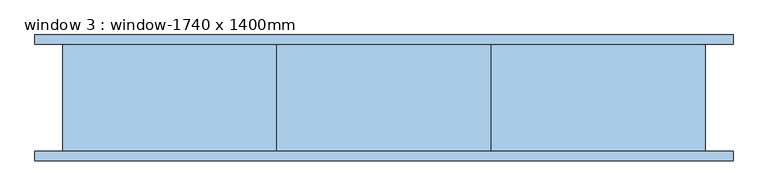
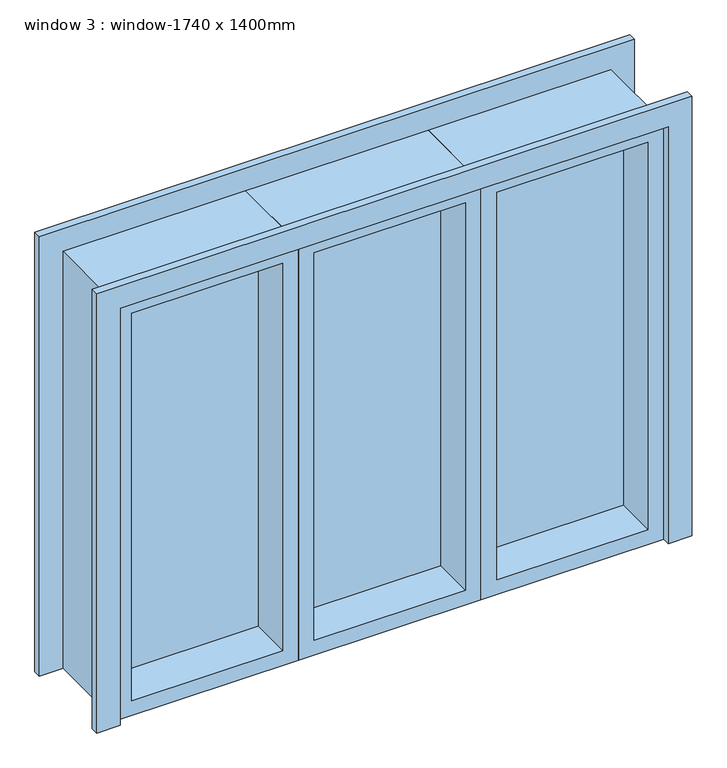
"""IFC4 building model written with IfcOpenShell, lengths in millimetres: window geometry, window 3 : window-1740 x 1400mm."""

from ifc_helpers import new_model, si_unit, frame, origin, place, context, project, spatial, polyline, outline, extrude, source, transform, mapped, element, save


def window_3_window_1740_x_1400mm_ecbe17f7(model_context):
    return source(origin(), model_context, "Body", "SweptSolid", [
        extrude(outline(polyline([(1400.0, -870.0), (1400.0, 870.0), (0.0, 870.0), (0.0, 945.0), (1475.0, 945.0), (1475.0, -945.0), (0.0, -945.0), (0.0, -870.0), (1400.0, -870.0)])), frame((0.0, 145.0, 0.0), z_axis=(0.0, 1.0, 0.0), x_axis=(0.0, 0.0, 1.0)), (0.0, 0.0, 1.0), 25.0),
        extrude(outline(polyline([(1475.0, -945.0), (0.0, -945.0), (0.0, -870.0), (1400.0, -870.0), (1400.0, 870.0), (0.0, 870.0), (0.0, 945.0), (1475.0, 945.0), (1475.0, -945.0)])), frame((0.0, -170.0, 0.0), z_axis=(0.0, 1.0, 0.0), x_axis=(0.0, 0.0, 1.0)), (0.0, 0.0, 1.0), 25.0),
        extrude(outline(polyline([(820.0, -10.0), (340.0, -10.0), (340.0, 10.0), (820.0, 10.0), (820.0, -10.0)])), frame((0.0, 0.0, 50.0), z_axis=(0.0, 0.0, 1.0), x_axis=(1.0, 0.0, 0.0)), (0.0, 0.0, 1.0), 1300.0),
        extrude(outline(polyline([(-340.0, -10.0), (-820.0, -10.0), (-820.0, 10.0), (-340.0, 10.0), (-340.0, -10.0)])), frame((0.0, 0.0, 50.0), z_axis=(0.0, 0.0, 1.0), x_axis=(1.0, 0.0, 0.0)), (0.0, 0.0, 1.0), 1300.0),
        extrude(outline(polyline([(240.0, -10.0), (-240.0, -10.0), (-240.0, 10.0), (240.0, 10.0), (240.0, -10.0)])), frame((0.0, 0.0, 50.0), z_axis=(0.0, 0.0, 1.0), x_axis=(1.0, 0.0, 0.0)), (0.0, 0.0, 1.0), 1300.0),
        extrude(outline(polyline([(1400.0, 870.0), (1400.0, 290.0), (0.0, 290.0), (0.0, 870.0), (1400.0, 870.0)]), holes=[polyline([(1350.0, 820.0), (50.0, 820.0), (50.0, 340.0), (1350.0, 340.0), (1350.0, 820.0)])]), frame((0.0, -145.0, 0.0), z_axis=(0.0, 1.0, 0.0), x_axis=(0.0, 0.0, 1.0)), (0.0, 0.0, 1.0), 290.0),
        extrude(outline(polyline([(1400.0, 290.0), (1400.0, -290.0), (0.0, -290.0), (0.0, 290.0), (1400.0, 290.0)]), holes=[polyline([(1350.0, 240.0), (50.0, 240.0), (50.0, -240.0), (1350.0, -240.0), (1350.0, 240.0)])]), frame((0.0, -145.0, 0.0), z_axis=(0.0, 1.0, 0.0), x_axis=(0.0, 0.0, 1.0)), (0.0, 0.0, 1.0), 290.0),
        extrude(outline(polyline([(1400.0, -290.0), (1400.0, -870.0), (0.0, -870.0), (0.0, -290.0), (1400.0, -290.0)]), holes=[polyline([(1350.0, -340.0), (50.0, -340.0), (50.0, -820.0), (1350.0, -820.0), (1350.0, -340.0)])]), frame((0.0, -145.0, 0.0), z_axis=(0.0, 1.0, 0.0), x_axis=(0.0, 0.0, 1.0)), (0.0, 0.0, 1.0), 290.0),
    ])


if __name__ == "__main__":
    model = new_model("IFC4")
    model_context = context("Model", 3, world=origin())
    ifc_project = project(units=[si_unit("LENGTHUNIT", "METRE", prefix="MILLI")], contexts=[model_context])
    site = spatial("IfcSite", under=ifc_project)
    building = spatial("IfcBuilding", under=site)
    placement = place(None, origin())
    window_3_window_1740_x_1400mm_shape = window_3_window_1740_x_1400mm_ecbe17f7(model_context)
    element("IfcWindow", 1, ObjectType="window 3 : window-1740 x 1400mm", at=placement, inside=building, context=model_context, shape_type="MappedRepresentation", body=[
        mapped(window_3_window_1740_x_1400mm_shape, transform((0.0, 0.0, 0.0), x_axis=(1.0, 0.0, 0.0), y_axis=(0.0, 1.0, 0.0), z_axis=(0.0, 0.0, 1.0))),
    ])
    save(model, "model.ifc")
